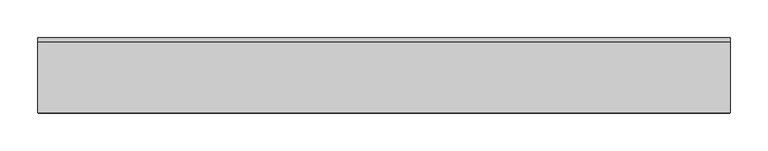
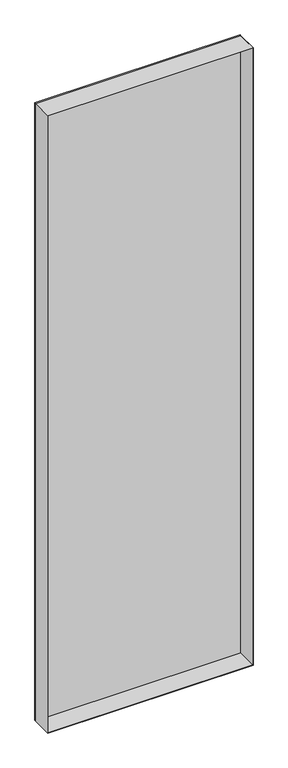
"""IFC4 building model written with IfcOpenShell, lengths in millimetres: plate geometry."""

from ifc_helpers import new_model, si_unit, frame, origin, origin_with_axes, place, context, project, spatial, polyline, outline, extrude, source, transform, mapped, element, save


def plate_cd54afe3(model_context):
    return source(origin(), model_context, "Body", "SweptSolid", [
        extrude(outline(polyline([(2931.0, -460.9186914), (0.0, -460.9186914), (0.0, 460.9186914), (2931.0, 460.9186914), (2931.0, -460.9186914)]), holes=[polyline([(2930.0, -459.9186914), (2930.0, 459.9186914), (1.0, 459.9186914), (1.0, -459.9186914), (2930.0, -459.9186914)])]), frame((0.0, -50.0, 0.0), z_axis=(0.0, 1.0, 0.0), x_axis=(0.0, 0.0, 1.0)), (0.0, 0.0, 1.0), 94.0),
        extrude(outline(polyline([(460.9186914, 44.0), (-460.9186914, 44.0), (-460.9186914, 50.0), (460.9186914, 50.0), (460.9186914, 44.0)])), origin_with_axes(), (0.0, 0.0, 1.0), 2931.0),
    ])


if __name__ == "__main__":
    model = new_model("IFC4")
    model_context = context("Model", 3, world=origin())
    ifc_project = project(units=[si_unit("LENGTHUNIT", "METRE", prefix="MILLI")], contexts=[model_context])
    site = spatial("IfcSite", under=ifc_project)
    building = spatial("IfcBuilding", under=site)
    placement = place(None, origin())
    plate_shape = plate_cd54afe3(model_context)
    element("IfcPlate", 1, at=placement, inside=building, context=model_context, shape_type="MappedRepresentation", body=[
        mapped(plate_shape, transform((0.0, 0.0, 0.0), x_axis=(1.0, 0.0, 0.0), y_axis=(0.0, 1.0, 0.0), z_axis=(0.0, 0.0, 1.0))),
    ])
    save(model, "model.ifc")
